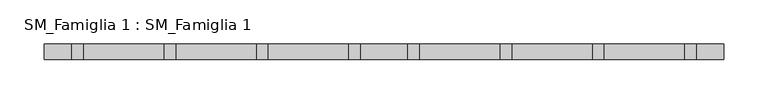
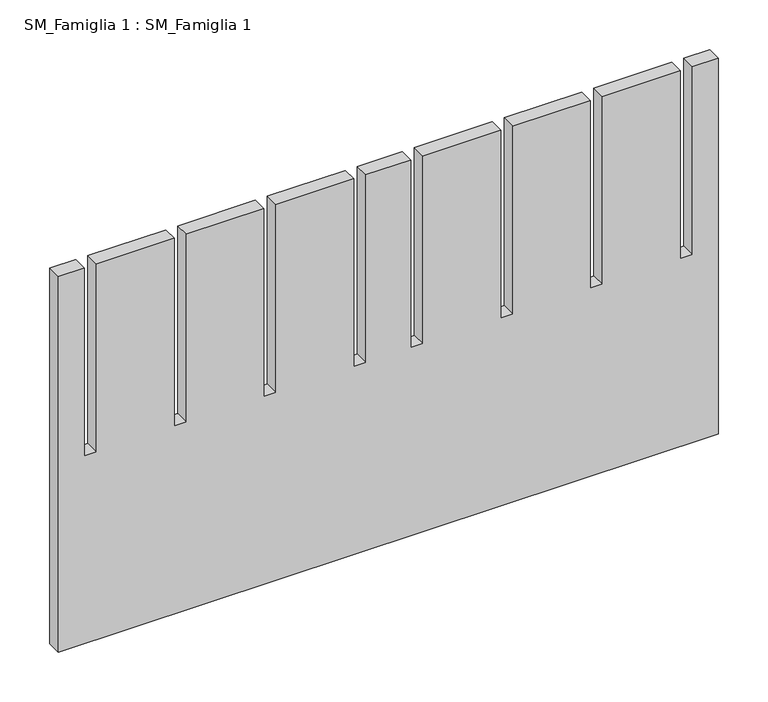
"""IFC4 building model written with IfcOpenShell, lengths in millimetres: proxy geometry, SM_Famiglia 1 : SM_Famiglia 1."""

from ifc_helpers import new_model, si_unit, frame, origin, place, context, project, spatial, polyline, outline, extrude, source, transform, mapped, element, save


def sm_famiglia_1_sm_famiglia_1_4197d956(model_context):
    return source(origin(), model_context, "Body", "SweptSolid", [
        extrude(outline(polyline([(460.0, -248.0), (460.0, -338.0), (230.0, -338.0), (230.0, -352.0), (460.0, -352.0), (460.0, -382.0), (0.0, -382.0), (0.0, 382.0), (460.0, 382.0), (460.0, 352.0), (230.0, 352.0), (230.0, 338.0), (460.0, 338.0), (460.0, 248.0), (230.0, 248.0), (230.0, 234.0), (460.0, 234.0), (460.0, 144.0), (230.0, 144.0), (230.0, 130.0), (460.0, 130.0), (460.0, 40.0), (230.0, 40.0), (230.0, 26.0), (460.0, 26.0), (460.0, -26.0), (230.0, -26.0), (230.0, -40.0), (460.0, -40.0), (460.0, -130.0), (230.0, -130.0), (230.0, -144.0), (460.0, -144.0), (460.0, -234.0), (230.0, -234.0), (230.0, -248.0), (460.0, -248.0)])), frame((0.0, -17.0, 0.0), z_axis=(0.0, 1.0, 0.0), x_axis=(0.0, 0.0, 1.0)), (0.0, 0.0, 1.0), 17.0),
    ])


if __name__ == "__main__":
    model = new_model("IFC4")
    model_context = context("Model", 3, world=origin())
    ifc_project = project(units=[si_unit("LENGTHUNIT", "METRE", prefix="MILLI")], contexts=[model_context])
    site = spatial("IfcSite", under=ifc_project)
    building = spatial("IfcBuilding", under=site)
    placement = place(None, origin())
    sm_famiglia_1_sm_famiglia_1_shape = sm_famiglia_1_sm_famiglia_1_4197d956(model_context)
    element("IfcBuildingElementProxy", 1, Name="SM_Famiglia 1 : SM_Famiglia 1", ObjectType="SM_Famiglia 1 : SM_Famiglia 1", at=placement, inside=building, context=model_context, shape_type="MappedRepresentation", body=[
        mapped(sm_famiglia_1_sm_famiglia_1_shape, transform((0.0, 0.0, 0.0), x_axis=(1.0, 0.0, 0.0), y_axis=(0.0, 1.0, 0.0), z_axis=(0.0, 0.0, 1.0))),
    ])
    save(model, "model.ifc")
